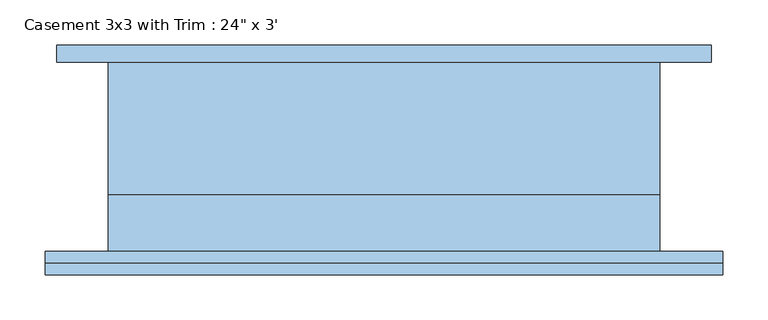
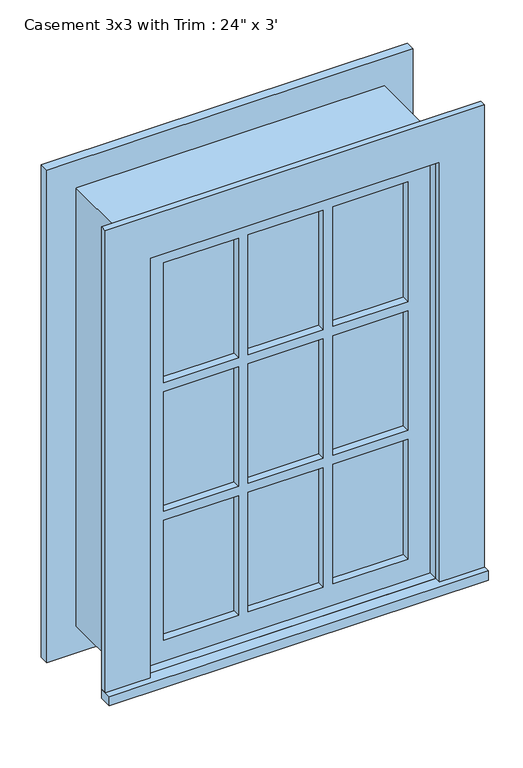
"""IFC4 building model written with IfcOpenShell, lengths in millimetres: window geometry."""

from ifc_helpers import new_model, si_unit, frame, origin, place, context, project, spatial, polyline, outline, extrude, source, transform, mapped, element, save


def window_f4be1010(model_context):
    return source(origin(), model_context, "Body", "SweptSolid", [
        extrude(outline(polyline([(-374.65, -130.175), (-374.65, -104.775), (374.65, -104.775), (374.65, -130.175), (-374.65, -130.175)])), frame((0.0, 0.0, 609.6), z_axis=(0.0, 0.0, 1.0), x_axis=(1.0, 0.0, 0.0)), (0.0, 0.0, 1.0), 19.05),
        extrude(outline(polyline([(1504.95, -285.75), (1504.95, 285.75), (628.65, 285.75), (628.65, 374.65), (1593.85, 374.65), (1593.85, -374.65), (628.65, -374.65), (628.65, -285.75), (1504.95, -285.75)])), frame((0.0, -117.475, 0.0), z_axis=(0.0, 1.0, 0.0), x_axis=(0.0, 0.0, 1.0)), (0.0, 0.0, 1.0), 12.7),
        extrude(outline(polyline([(93.1333333, -69.85), (93.1333333, -57.15), (241.3, -57.15), (241.3, -69.85), (93.1333333, -69.85)])), frame((0.0, 0.0, 1210.7333333), z_axis=(0.0, 0.0, 1.0), x_axis=(1.0, 0.0, 0.0)), (0.0, 0.0, 1.0), 249.7666667),
        extrude(outline(polyline([(-74.0833333, -69.85), (-74.0833333, -57.15), (74.0833333, -57.15), (74.0833333, -69.85), (-74.0833333, -69.85)])), frame((0.0, 0.0, 1210.7333333), z_axis=(0.0, 0.0, 1.0), x_axis=(1.0, 0.0, 0.0)), (0.0, 0.0, 1.0), 249.7666667),
        extrude(outline(polyline([(-241.3, -69.85), (-241.3, -57.15), (-93.1333333, -57.15), (-93.1333333, -69.85), (-241.3, -69.85)])), frame((0.0, 0.0, 1210.7333333), z_axis=(0.0, 0.0, 1.0), x_axis=(1.0, 0.0, 0.0)), (0.0, 0.0, 1.0), 249.7666667),
        extrude(outline(polyline([(-241.3, -69.85), (-241.3, -57.15), (-93.1333333, -57.15), (-93.1333333, -69.85), (-241.3, -69.85)])), frame((0.0, 0.0, 941.9166667), z_axis=(0.0, 0.0, 1.0), x_axis=(1.0, 0.0, 0.0)), (0.0, 0.0, 1.0), 249.7666667),
        extrude(outline(polyline([(-74.0833333, -69.85), (-74.0833333, -57.15), (74.0833333, -57.15), (74.0833333, -69.85), (-74.0833333, -69.85)])), frame((0.0, 0.0, 941.9166667), z_axis=(0.0, 0.0, 1.0), x_axis=(1.0, 0.0, 0.0)), (0.0, 0.0, 1.0), 249.7666667),
        extrude(outline(polyline([(93.1333333, -69.85), (93.1333333, -57.15), (241.3, -57.15), (241.3, -69.85), (93.1333333, -69.85)])), frame((0.0, 0.0, 941.9166667), z_axis=(0.0, 0.0, 1.0), x_axis=(1.0, 0.0, 0.0)), (0.0, 0.0, 1.0), 249.7666667),
        extrude(outline(polyline([(93.1333333, -69.85), (93.1333333, -57.15), (241.3, -57.15), (241.3, -69.85), (93.1333333, -69.85)])), frame((0.0, 0.0, 673.1), z_axis=(0.0, 0.0, 1.0), x_axis=(1.0, 0.0, 0.0)), (0.0, 0.0, 1.0), 249.7666667),
        extrude(outline(polyline([(-74.0833333, -69.85), (-74.0833333, -57.15), (74.0833333, -57.15), (74.0833333, -69.85), (-74.0833333, -69.85)])), frame((0.0, 0.0, 673.1), z_axis=(0.0, 0.0, 1.0), x_axis=(1.0, 0.0, 0.0)), (0.0, 0.0, 1.0), 249.7666667),
        extrude(outline(polyline([(-241.3, -69.85), (-241.3, -57.15), (-93.1333333, -57.15), (-93.1333333, -69.85), (-241.3, -69.85)])), frame((0.0, 0.0, 673.1), z_axis=(0.0, 0.0, 1.0), x_axis=(1.0, 0.0, 0.0)), (0.0, 0.0, 1.0), 249.7666667),
        extrude(outline(polyline([(1581.15, 361.95), (1581.15, -361.95), (552.45, -361.95), (552.45, 361.95), (1581.15, 361.95)]), holes=[polyline([(1492.25, 273.05), (641.35, 273.05), (641.35, -273.05), (1492.25, -273.05), (1492.25, 273.05)])]), frame((0.0, 104.775, 0.0), z_axis=(0.0, 1.0, 0.0), x_axis=(0.0, 0.0, 1.0)), (0.0, 0.0, 1.0), 19.05),
        extrude(outline(polyline([(1504.95, -285.75), (628.65, -285.75), (628.65, 285.75), (1504.95, 285.75), (1504.95, -285.75)]), holes=[polyline([(1460.5, -93.1333333), (1210.7333333, -93.1333333), (1210.7333333, -241.3), (1460.5, -241.3), (1460.5, -93.1333333)]), polyline([(1191.6833333, -93.1333333), (941.9166667, -93.1333333), (941.9166667, -241.3), (1191.6833333, -241.3), (1191.6833333, -93.1333333)]), polyline([(922.8666667, -93.1333333), (673.1, -93.1333333), (673.1, -241.3), (922.8666667, -241.3), (922.8666667, -93.1333333)]), polyline([(1460.5, 74.0833333), (1210.7333333, 74.0833333), (1210.7333333, -74.0833333), (1460.5, -74.0833333), (1460.5, 74.0833333)]), polyline([(1191.6833333, 74.0833333), (941.9166667, 74.0833333), (941.9166667, -74.0833333), (1191.6833333, -74.0833333), (1191.6833333, 74.0833333)]), polyline([(922.8666667, 74.0833333), (673.1, 74.0833333), (673.1, -74.0833333), (922.8666667, -74.0833333), (922.8666667, 74.0833333)]), polyline([(1460.5, 241.3), (1210.7333333, 241.3), (1210.7333333, 93.1333333), (1460.5, 93.1333333), (1460.5, 241.3)]), polyline([(1191.6833333, 241.3), (941.9166667, 241.3), (941.9166667, 93.1333333), (1191.6833333, 93.1333333), (1191.6833333, 241.3)]), polyline([(922.8666667, 241.3), (673.1, 241.3), (673.1, 93.1333333), (922.8666667, 93.1333333), (922.8666667, 241.3)])]), frame((0.0, -85.725, 0.0), z_axis=(0.0, 1.0, 0.0), x_axis=(0.0, 0.0, 1.0)), (0.0, 0.0, 1.0), 44.45),
        extrude(outline(polyline([(1524.0, -304.8), (609.6, -304.8), (609.6, 304.8), (1524.0, 304.8), (1524.0, -304.8)]), holes=[polyline([(1492.25, -273.05), (1492.25, 273.05), (641.35, 273.05), (641.35, -273.05), (1492.25, -273.05)])]), frame((0.0, -41.275, 0.0), z_axis=(0.0, 1.0, 0.0), x_axis=(0.0, 0.0, 1.0)), (0.0, 0.0, 1.0), 146.05),
        extrude(outline(polyline([(1524.0, 304.8), (1524.0, -304.8), (609.6, -304.8), (609.6, 304.8), (1524.0, 304.8)]), holes=[polyline([(1504.95, 285.75), (628.65, 285.75), (628.65, -285.75), (1504.95, -285.75), (1504.95, 285.75)])]), frame((0.0, -104.775, 0.0), z_axis=(0.0, 1.0, 0.0), x_axis=(0.0, 0.0, 1.0)), (0.0, 0.0, 1.0), 63.5),
    ])


if __name__ == "__main__":
    model = new_model("IFC4")
    model_context = context("Model", 3, world=origin())
    ifc_project = project(units=[si_unit("LENGTHUNIT", "METRE", prefix="MILLI")], contexts=[model_context])
    site = spatial("IfcSite", under=ifc_project)
    building = spatial("IfcBuilding", under=site)
    placement = place(None, origin())
    window_shape = window_f4be1010(model_context)
    element("IfcWindow", 1, ObjectType="Casement 3x3 with Trim : 24\" x 3'", at=placement, inside=building, context=model_context, shape_type="MappedRepresentation", body=[
        mapped(window_shape, transform((0.0, 0.0, 0.0), x_axis=(1.0, 0.0, 0.0), y_axis=(0.0, 1.0, 0.0), z_axis=(0.0, 0.0, 1.0))),
    ])
    save(model, "model.ifc")
